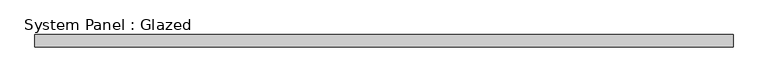
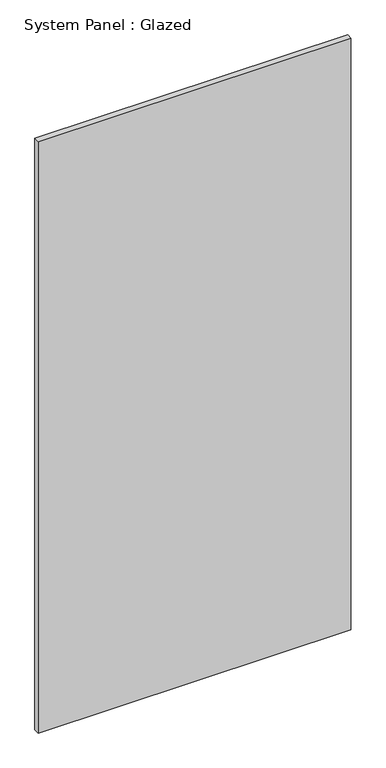
"""IFC4 building model written with IfcOpenShell, lengths in millimetres: plate geometry, System Panel : Glazed."""

from ifc_helpers import new_model, si_unit, origin, origin_with_axes, place, context, project, spatial, polyline, outline, extrude, source, transform, mapped, element, save


def system_panel_glazed_c4c595eb(model_context):
    return source(origin(), model_context, "Body", "SweptSolid", [
        extrude(outline(polyline([(730.25, 28.575), (-730.25, 28.575), (-730.25, 53.975), (730.25, 53.975), (730.25, 28.575)])), origin_with_axes(), (0.0, 0.0, 1.0), 2921.0),
    ])


if __name__ == "__main__":
    model = new_model("IFC4")
    model_context = context("Model", 3, world=origin())
    ifc_project = project(units=[si_unit("LENGTHUNIT", "METRE", prefix="MILLI")], contexts=[model_context])
    site = spatial("IfcSite", under=ifc_project)
    building = spatial("IfcBuilding", under=site)
    placement = place(None, origin())
    system_panel_glazed_shape = system_panel_glazed_c4c595eb(model_context)
    element("IfcPlate", 1, ObjectType="System Panel : Glazed", at=placement, inside=building, context=model_context, shape_type="MappedRepresentation", body=[
        mapped(system_panel_glazed_shape, transform((0.0, 0.0, 0.0), x_axis=(1.0, 0.0, 0.0), y_axis=(0.0, 1.0, 0.0), z_axis=(0.0, 0.0, 1.0))),
    ])
    save(model, "model.ifc")
